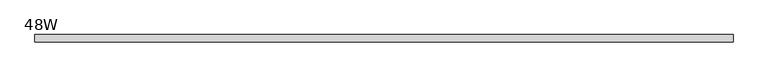
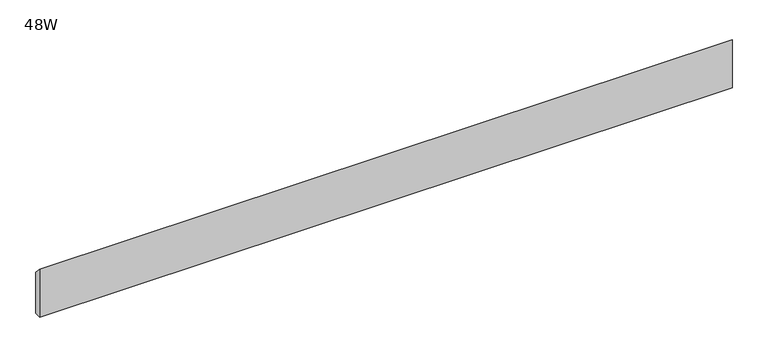
"""IFC4 building model written with IfcOpenShell, lengths in millimetres: furniture geometry, 48W."""

from ifc_helpers import new_model, si_unit, frame, origin, place, context, project, spatial, polyline, outline, extrude, source, transform, mapped, element, save


def furniture_48w_eb6eed74(model_context):
    return source(origin(), model_context, "Body", "SweptSolid", [
        extrude(outline(polyline([(-11.938, 831.85), (-11.938, 914.4), (0.0, 901.7), (0.0, 831.85), (-11.938, 831.85)])), frame((48.006, 0.0, 0.0), z_axis=(1.0, 0.0, 0.0), x_axis=(0.0, 1.0, 0.0)), (0.0, 0.0, 1.0), 1123.188),
    ])


if __name__ == "__main__":
    model = new_model("IFC4")
    model_context = context("Model", 3, world=origin())
    ifc_project = project(units=[si_unit("LENGTHUNIT", "METRE", prefix="MILLI")], contexts=[model_context])
    site = spatial("IfcSite", under=ifc_project)
    building = spatial("IfcBuilding", under=site)
    placement = place(None, origin())
    furniture_48w_shape = furniture_48w_eb6eed74(model_context)
    element("IfcFurniture", 1, ObjectType="48W", at=placement, inside=building, context=model_context, shape_type="MappedRepresentation", body=[
        mapped(furniture_48w_shape, transform((0.0, 0.0, 0.0), x_axis=(1.0, 0.0, 0.0), y_axis=(0.0, 1.0, 0.0), z_axis=(0.0, 0.0, 1.0))),
    ])
    save(model, "model.ifc")
